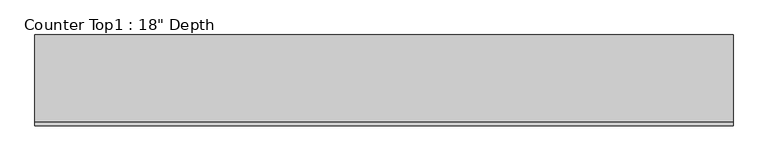
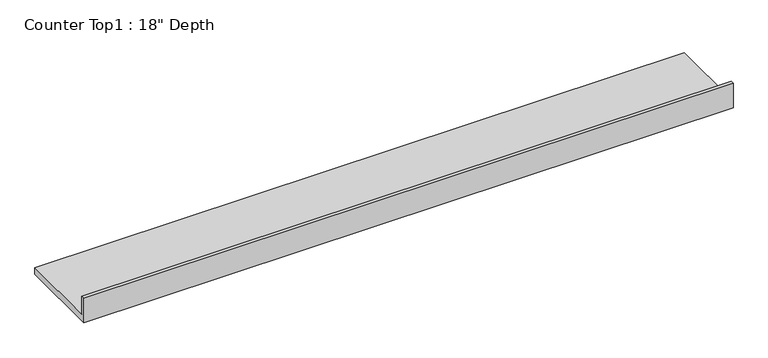
"""IFC4 building model written with IfcOpenShell, lengths in millimetres: furniture geometry."""

from ifc_helpers import new_model, si_unit, frame, origin, place, context, project, spatial, polyline, outline, extrude, source, transform, mapped, element, save


def furniture_c0e68dd8(model_context):
    return source(origin(), model_context, "Body", "SweptSolid", [
        extrude(outline(polyline([(0.0, 1016.0), (19.05, 1016.0), (19.05, 914.4), (457.2, 914.4), (457.2, 876.3), (0.0, 876.3), (0.0, 1016.0)])), frame((-1200.4622951, 0.0, 0.0), z_axis=(1.0, 0.0, 0.0), x_axis=(0.0, 1.0, 0.0)), (0.0, 0.0, 1.0), 3510.7169222),
    ])


if __name__ == "__main__":
    model = new_model("IFC4")
    model_context = context("Model", 3, world=origin())
    ifc_project = project(units=[si_unit("LENGTHUNIT", "METRE", prefix="MILLI")], contexts=[model_context])
    site = spatial("IfcSite", under=ifc_project)
    building = spatial("IfcBuilding", under=site)
    placement = place(None, origin())
    furniture_shape = furniture_c0e68dd8(model_context)
    element("IfcFurniture", 1, ObjectType="Counter Top1 : 18\" Depth", at=placement, inside=building, context=model_context, shape_type="MappedRepresentation", body=[
        mapped(furniture_shape, transform((0.0, 0.0, 0.0), x_axis=(1.0, 0.0, 0.0), y_axis=(0.0, 1.0, 0.0), z_axis=(0.0, 0.0, 1.0))),
    ])
    save(model, "model.ifc")
